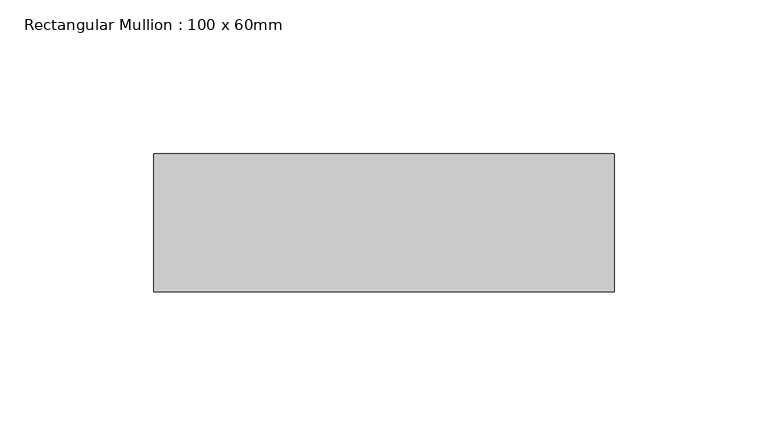
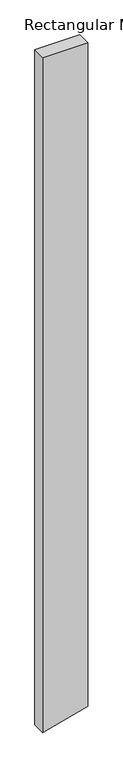
"""IFC4 building model written with IfcOpenShell, lengths in millimetres: member geometry, Rectangular Mullion : 100 x 60mm."""

from ifc_helpers import new_model, si_unit, frame, origin, place, context, project, spatial, polyline, outline, extrude, source, transform, mapped, element, save


def rectangular_mullion_100_x_60mm_bee1778f(model_context):
    return source(origin(), model_context, "Body", "SweptSolid", [
        extrude(outline(polyline([(0.0, 75.0), (0.0, -75.0), (-2379.539921, -75.0), (-2376.7813201, -64.7047613), (-2339.3475422, 75.0), (0.0, 75.0)])), frame((0.0, -15.0, 0.0), z_axis=(0.0, 1.0, 0.0), x_axis=(0.0, 0.0, 1.0)), (0.0, 0.0, 1.0), 45.0),
    ])


if __name__ == "__main__":
    model = new_model("IFC4")
    model_context = context("Model", 3, world=origin())
    ifc_project = project(units=[si_unit("LENGTHUNIT", "METRE", prefix="MILLI")], contexts=[model_context])
    site = spatial("IfcSite", under=ifc_project)
    building = spatial("IfcBuilding", under=site)
    placement = place(None, origin())
    rectangular_mullion_100_x_60mm_shape = rectangular_mullion_100_x_60mm_bee1778f(model_context)
    element("IfcMember", 1, ObjectType="Rectangular Mullion : 100 x 60mm", at=placement, inside=building, context=model_context, shape_type="MappedRepresentation", body=[
        mapped(rectangular_mullion_100_x_60mm_shape, transform((0.0, 0.0, 0.0), x_axis=(1.0, 0.0, 0.0), y_axis=(0.0, 1.0, 0.0), z_axis=(0.0, 0.0, 1.0))),
    ])
    save(model, "model.ifc")
